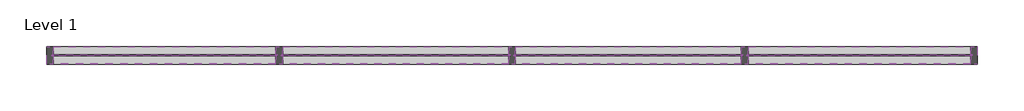
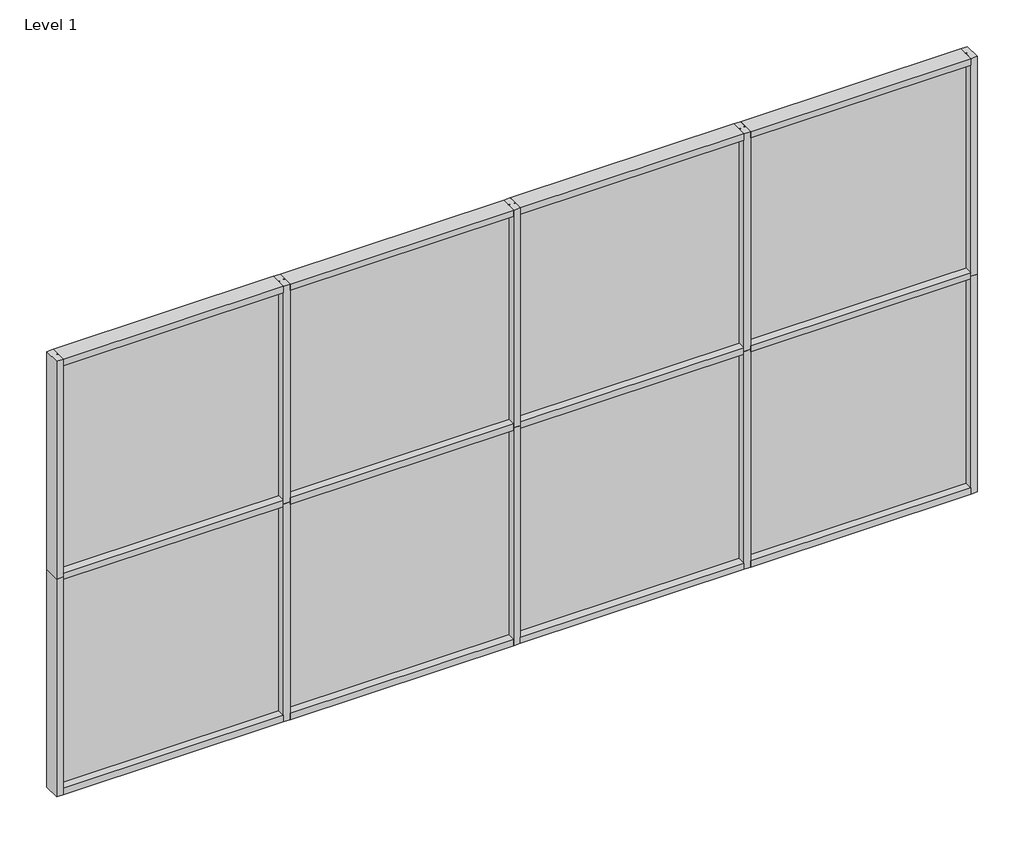
# One storey: 22 members, 8 plates.
"""IFC4 building model written with IfcOpenShell, lengths in millimetres."""

import ifcopenshell
import ifcopenshell.guid

model = None  # the IFC model being written
_history = None  # IfcOwnerHistory: only IFC2X3 demands one
_inside = {}  # id of a spatial element -> (the spatial element, [elements in it])
_under = {}  # id of a project, library or spatial element -> (it, [spatial elements below it])
_declared = {}  # id of a project -> (the project, [libraries it declares])
_typed = {}  # id of a type object -> (the type object, [elements of that type])
_made_of = {}  # id of a material, layer set ... -> (it, [elements and type objects made of it])


def new_model(schema):
    """Start an empty IFC model of exactly this schema.

    Asked for "IFC4X3", IfcOpenShell would pick the latest addendum, in which some entities
    have other attributes; the version numbers below select the first issue.
    IFC2X3 requires an IfcOwnerHistory on every rooted entity: one is made here for all.
    """
    global model, _history
    if schema == "IFC4X3":
        model = ifcopenshell.file(schema_version=(4, 3, 0, 0))
    else:
        model = ifcopenshell.file(schema=schema)
    _inside.clear()
    _under.clear()
    _declared.clear()
    _typed.clear()
    _made_of.clear()
    _history = None
    if model.schema == "IFC2X3":
        org = make("IfcOrganization", Name="unknown")
        user = make(
            "IfcPersonAndOrganization",
            ThePerson=make("IfcPerson", FamilyName="unknown"),
            TheOrganization=org,
        )
        app = make(
            "IfcApplication",
            ApplicationDeveloper=org,
            Version="unknown",
            ApplicationFullName="unknown",
            ApplicationIdentifier="unknown",
        )
        _history = make(
            "IfcOwnerHistory",
            OwningUser=user,
            OwningApplication=app,
            ChangeAction="ADDED",
            CreationDate=0,
        )
    return model


def make(cls, **values):
    """One entity of the class cls with the attributes given. An attribute that is None is left unset."""
    return model.create_entity(
        cls, **{name: value for name, value in values.items() if value is not None}
    )


def rooted(cls, **values):
    """An entity with a GlobalId (a new one), such as an element, a storey or a relation."""
    return make(cls, GlobalId=ifcopenshell.guid.new(), OwnerHistory=_history, **values)


def si_unit(unit_type, name, prefix=None):
    """IfcSIUnit, for example si_unit("LENGTHUNIT", "METRE", prefix="MILLI")."""
    return make("IfcSIUnit", UnitType=unit_type, Prefix=prefix, Name=name)


def assignment(units):
    """IfcUnitAssignment: the units of a project."""
    return None if units is None else make("IfcUnitAssignment", Units=units)


def point(xyz):
    """IfcCartesianPoint."""
    return None if xyz is None else make("IfcCartesianPoint", Coordinates=xyz)


def direction(xyz):
    """IfcDirection."""
    return None if xyz is None else make("IfcDirection", DirectionRatios=xyz)


def frame(location, z_axis=None, x_axis=None):
    """IfcAxis2Placement3D, a coordinate frame: its origin and axes. An axis left out is left unset."""
    return make(
        "IfcAxis2Placement3D",
        Location=point(location),
        Axis=direction(z_axis),
        RefDirection=direction(x_axis),
    )


def origin():
    """The frame at (0, 0, 0) with its axes left unset."""
    return frame((0.0, 0.0, 0.0))


def origin_with_axes():
    """The frame at (0, 0, 0) with the z axis (0, 0, 1) and the x axis (1, 0, 0) written out."""
    return frame((0.0, 0.0, 0.0), z_axis=(0.0, 0.0, 1.0), x_axis=(1.0, 0.0, 0.0))


def place(relative_to, where):
    """IfcLocalPlacement: puts the frame where relative to a parent placement (None: the world)."""
    return make(
        "IfcLocalPlacement", PlacementRelTo=relative_to, RelativePlacement=where
    )


def context(
    kind, dimensions, precision=None, world=None, true_north=None, identifier=None
):
    """IfcGeometricRepresentationContext, for example the 3D "Model" context."""
    return make(
        "IfcGeometricRepresentationContext",
        ContextIdentifier=identifier,
        ContextType=kind,
        CoordinateSpaceDimension=dimensions,
        Precision=precision,
        WorldCoordinateSystem=world,
        TrueNorth=true_north,
    )


def project(units=None, contexts=None):
    """IfcProject with its units and contexts."""
    return rooted(
        "IfcProject",
        Name="project",
        RepresentationContexts=contexts,
        UnitsInContext=assignment(units),
    )


def spatial(cls, under=None, at=None, **own):
    """A site, building, storey or space (cls), placed at a placement, below another one or the project."""
    s = rooted(cls, ObjectPlacement=at, **own)
    if under is not None:
        _under.setdefault(under.id(), (under, []))[1].append(s)
    return s


def polyline(points):
    """IfcPolyline through the points."""
    return make("IfcPolyline", Points=[point(p) for p in points])


def outline(outer, holes=None, kind="AREA"):
    """IfcArbitraryClosedProfileDef: a profile drawn as a closed curve; with holes, ...WithVoids."""
    if holes is None:
        return make("IfcArbitraryClosedProfileDef", ProfileType=kind, OuterCurve=outer)
    return make(
        "IfcArbitraryProfileDefWithVoids",
        ProfileType=kind,
        OuterCurve=outer,
        InnerCurves=holes,
    )


def extrude(swept, where, along, depth):
    """IfcExtrudedAreaSolid: the profile swept, set in the frame where, extruded along a direction by depth."""
    return make(
        "IfcExtrudedAreaSolid",
        SweptArea=swept,
        Position=where,
        ExtrudedDirection=direction(along),
        Depth=depth,
    )


def shape(context_of_items, identifier, shape_type, items):
    """IfcShapeRepresentation: the items that make up one representation, for example the "Body"."""
    return make(
        "IfcShapeRepresentation",
        ContextOfItems=context_of_items,
        RepresentationIdentifier=identifier,
        RepresentationType=shape_type,
        Items=items,
    )


def source(mapping_origin, context_of_items, identifier, shape_type, items):
    """IfcRepresentationMap: a shape defined once, which mapped items show again and again."""
    return make(
        "IfcRepresentationMap",
        MappingOrigin=mapping_origin,
        MappedRepresentation=shape(context_of_items, identifier, shape_type, items),
    )


def transform(
    local_origin,
    x_axis=None,
    y_axis=None,
    z_axis=None,
    scale=None,
    scale2=None,
    scale3=None,
    uniform=True,
):
    """IfcCartesianTransformationOperator3D, or its non-uniform kind. x_axis, y_axis, z_axis: its Axis1, 2, 3."""
    if uniform:
        return make(
            "IfcCartesianTransformationOperator3D",
            Axis1=direction(x_axis),
            Axis2=direction(y_axis),
            LocalOrigin=point(local_origin),
            Scale=scale,
            Axis3=direction(z_axis),
        )
    return make(
        "IfcCartesianTransformationOperator3DnonUniform",
        Axis1=direction(x_axis),
        Axis2=direction(y_axis),
        LocalOrigin=point(local_origin),
        Scale=scale,
        Axis3=direction(z_axis),
        Scale2=scale2,
        Scale3=scale3,
    )


def mapped(mapping_source, mapping_target):
    """IfcMappedItem: shows the shape of a source again, moved by a transform."""
    return make(
        "IfcMappedItem", MappingSource=mapping_source, MappingTarget=mapping_target
    )


def made_of(thing, what):
    """Note that an element or type object is made of a material, layer set ...; save() writes the relation."""
    if what is not None:
        _made_of.setdefault(what.id(), (what, []))[1].append(thing)
    return thing


def element(
    cls,
    number,
    at=None,
    inside=None,
    cuts=None,
    type_object=None,
    material=None,
    context=None,
    identifier="Body",
    shape_type=None,
    held_by="IfcProductDefinitionShape",
    body=None,
    shapes=None,
    **own,
):
    """One element of the class cls, such as IfcWall. Its Tag is "e" and its number.

    at: its placement. inside: the storey or other place that contains it. cuts: it is an
    opening in that element (IfcRelVoidsElement). A single representation is given by context,
    identifier, shape_type and body (its items); several are given by shapes. held_by: the class
    of the entity that holds the representations. save() writes the other relations.
    """
    e = rooted(cls, Tag="e%d" % number, ObjectPlacement=at, **own)
    if body is not None:
        shapes = [shape(context, identifier, shape_type, body)]
    if shapes is not None:
        e.Representation = make(held_by, Representations=shapes)
    if inside is not None:
        _inside.setdefault(inside.id(), (inside, []))[1].append(e)
    if cuts is not None:
        rooted(
            "IfcRelVoidsElement", RelatingBuildingElement=cuts, RelatedOpeningElement=e
        )
    if type_object is not None:
        _typed.setdefault(type_object.id(), (type_object, []))[1].append(e)
    return made_of(e, material)


def aggregate(whole, parts):
    """IfcRelAggregates: a whole, such as a stair, and the parts it consists of."""
    return rooted("IfcRelAggregates", RelatingObject=whole, RelatedObjects=parts)


def save(model, path):
    """Write the relations noted so far, then the file.

    IfcRelAggregates (storeys below a building ...), IfcRelContainedInSpatialStructure (elements
    in a storey), IfcRelDefinesByType, IfcRelAssociatesMaterial and IfcRelDeclares: one each for
    every whole, place, type object, material and project.
    """
    for whole, parts in _under.values():
        aggregate(whole, parts)
    for where, things in _inside.values():
        rooted(
            "IfcRelContainedInSpatialStructure",
            RelatedElements=things,
            RelatingStructure=where,
        )
    for kind, things in _typed.values():
        rooted("IfcRelDefinesByType", RelatedObjects=things, RelatingType=kind)
    for what, things in _made_of.values():
        rooted("IfcRelAssociatesMaterial", RelatedObjects=things, RelatingMaterial=what)
    for by, libraries in _declared.values():
        rooted("IfcRelDeclares", RelatingContext=by, RelatedDefinitions=libraries)
    model.write(path)


def rectangular_mullion_bc3e1053(model_context):
    return source(origin(), model_context, "Body", "SweptSolid", [
        extrude(outline(polyline([(-44.45, -57.1496654), (-44.45, -3.175), (-34.925, -3.175), (-34.925, 3.175), (-44.45, 3.175), (-44.45, 57.1503346), (0.0, 57.1503346), (0.0, -57.1496654), (-44.45, -57.1496654)])), frame((0.0, 0.0, -1524.0), z_axis=(0.0, 0.0, 1.0), x_axis=(1.0, 0.0, 0.0)), (0.0, 0.0, 1.0), 1524.0),
    ])


def rectangular_mullion_ca581047(model_context):
    return source(origin(), model_context, "Body", "SweptSolid", [
        extrude(outline(polyline([(-22.225, 57.1445854), (22.225, 57.1445854), (22.225, 3.175), (12.7, 3.175), (12.7, -3.175), (22.225, -3.175), (22.225, -57.1503346), (-22.225, -57.1503346), (-22.225, -3.175), (-12.7, -3.175), (-12.7, 3.175), (-22.225, 3.175), (-22.225, 57.1445854)])), frame((0.0, 0.0, -1524.0), z_axis=(0.0, 0.0, 1.0), x_axis=(1.0, 0.0, 0.0)), (0.0, 0.0, 1.0), 1524.0),
    ])


def rectangular_mullion_36dcebf6(model_context):
    return source(origin(), model_context, "Body", "SweptSolid", [
        extrude(outline(polyline([(-44.45, -57.15), (-44.45, -2.4907362), (-35.1375243, -2.4907362), (-35.1375243, 3.8592638), (-44.45, 3.8592638), (-44.45, 57.15), (0.0, 57.15), (0.0, -57.15), (-44.45, -57.15)])), frame((0.0, 0.0, -1457.325), z_axis=(0.0, 0.0, 1.0), x_axis=(1.0, 0.0, 0.0)), (0.0, 0.0, 1.0), 1457.325),
    ])


def rectangular_mullion_d1a7d057(model_context):
    return source(origin(), model_context, "Body", "SweptSolid", [
        extrude(outline(polyline([(-44.45, -57.15), (-44.45, -2.4907362), (-35.1375243, -2.4907362), (-35.1375243, 3.8592638), (-44.45, 3.8592638), (-44.45, 57.15), (0.0, 57.15), (0.0, -57.15), (-44.45, -57.15)])), frame((0.0, 0.0, -1479.55), z_axis=(0.0, 0.0, 1.0), x_axis=(1.0, 0.0, 0.0)), (0.0, 0.0, 1.0), 1479.55),
    ])


def rectangular_mullion_bea041a1(model_context):
    return source(origin(), model_context, "Body", "SweptSolid", [
        extrude(outline(polyline([(26.5594027, -56.5790212), (-17.8905973, -56.5790212), (-17.8905973, -3.2050658), (-8.3655973, -3.2050658), (-8.3655973, 3.1449342), (-17.8905973, 3.1449342), (-17.8905973, 56.4979688), (26.5594027, 56.4979688), (26.5594027, 3.1449342), (17.0344012, 3.1449342), (17.0344012, -3.2050658), (26.5594027, -3.2050658), (26.5594027, -56.5790212)])), frame((0.0, 0.0, -1457.325), z_axis=(0.0, 0.0, 1.0), x_axis=(1.0, 0.0, 0.0)), (0.0, 0.0, 1.0), 1457.325),
    ])


def rectangular_mullion_7c711d4b(model_context):
    return source(origin(), model_context, "Body", "SweptSolid", [
        extrude(outline(polyline([(-44.45, -57.1503346), (-44.45, -3.175), (-34.925, -3.175), (-34.925, 3.175), (-44.45, 3.175), (-44.45, 57.1496654), (0.0, 57.1496654), (0.0, -57.1503346), (-44.45, -57.1503346)])), frame((0.0, 0.0, -1457.325), z_axis=(0.0, 0.0, 1.0), x_axis=(1.0, 0.0, 0.0)), (0.0, 0.0, 1.0), 1457.325),
    ])


def rectangular_mullion_cd2adce6(model_context):
    return source(origin(), model_context, "Body", "SweptSolid", [
        extrude(outline(polyline([(-44.45, -57.1503346), (-44.45, -3.175), (-34.925, -3.175), (-34.925, 3.175), (-44.45, 3.175), (-44.45, 57.1496654), (0.0, 57.1496654), (0.0, -57.1503346), (-44.45, -57.1503346)])), frame((0.0, 0.0, -1479.55), z_axis=(0.0, 0.0, 1.0), x_axis=(1.0, 0.0, 0.0)), (0.0, 0.0, 1.0), 1479.55),
    ])


def rectangular_mullion_32ffa44e(model_context):
    return source(origin(), model_context, "Body", "SweptSolid", [
        extrude(outline(polyline([(26.5594027, -56.5790212), (-17.8905973, -56.5790212), (-17.8905973, -3.2050658), (-8.3655973, -3.2050658), (-8.3655973, 3.1449342), (-17.8905973, 3.1449342), (-17.8905973, 56.4979688), (26.5594027, 56.4979688), (26.5594027, 3.1449342), (17.0344012, 3.1449342), (17.0344012, -3.2050658), (26.5594027, -3.2050658), (26.5594027, -56.5790212)])), frame((0.0, 0.0, -1479.55), z_axis=(0.0, 0.0, 1.0), x_axis=(1.0, 0.0, 0.0)), (0.0, 0.0, 1.0), 1479.55),
    ])


def plate_165c06aa(model_context):
    return source(origin(), model_context, "Body", "SweptSolid", [
        extrude(outline(polyline([(738.1875, -3.175), (-738.1875, -3.175), (-738.1875, 3.175), (738.1875, 3.175), (738.1875, -3.175)])), origin_with_axes(), (0.0, 0.0, 1.0), 1471.1844027),
    ])


def plate_a9ed1e5a(model_context):
    return source(origin(), model_context, "Body", "SweptSolid", [
        extrude(outline(polyline([(738.1875, -3.175), (-738.1875, -3.175), (-738.1875, 3.175), (738.1875, 3.175), (738.1875, -3.175)])), origin_with_axes(), (0.0, 0.0, 1.0), 1471.8280745),
    ])


def plate_1f2ca0bd(model_context):
    return source(origin(), model_context, "Body", "SweptSolid", [
        extrude(outline(polyline([(749.3, -3.175), (-749.3, -3.175), (-749.3, 3.175), (749.3, 3.175), (749.3, -3.175)])), origin_with_axes(), (0.0, 0.0, 1.0), 1471.1844027),
    ])


def plate_d15a9891(model_context):
    return source(origin(), model_context, "Body", "SweptSolid", [
        extrude(outline(polyline([(749.3, -3.175), (-749.3, -3.175), (-749.3, 3.175), (749.3, 3.175), (749.3, -3.175)])), origin_with_axes(), (0.0, 0.0, 1.0), 1471.8280745),
    ])


model = new_model("IFC4")

# Units and contexts
model_context = context("Model", 3, world=origin())
ifc_project = project(units=[si_unit("LENGTHUNIT", "METRE", prefix="MILLI")], contexts=[model_context])

# Site, building, storey
site = spatial("IfcSite", under=ifc_project)
building = spatial("IfcBuilding", under=site)
storey = spatial("IfcBuildingStorey", under=building, Name="Level 1", Elevation=0.0)

# Members
placement = place(None, origin())
rectangular_mullion_shape = rectangular_mullion_bc3e1053(model_context)
element("IfcMember", 1, ObjectType="Rectangular Mullion", at=placement, inside=storey, context=model_context, shape_type="MappedRepresentation", body=[
    mapped(rectangular_mullion_shape, transform((8815.9776452, 4207.6548604, 0.0), x_axis=(1.0, 0.0, 0.0), y_axis=(0.0, -1.0, 0.0), z_axis=(0.0, 0.0, -1.0))),
])
element("IfcMember", 2, ObjectType="Rectangular Mullion", at=placement, inside=storey, context=model_context, shape_type="MappedRepresentation", body=[
    mapped(rectangular_mullion_shape, transform((8815.9776452, 4207.6548604, 1524.0), x_axis=(1.0, 0.0, 0.0), y_axis=(0.0, -1.0, 0.0), z_axis=(0.0, 0.0, -1.0))),
])
element("IfcMember", 3, ObjectType="Rectangular Mullion", at=placement, inside=storey, context=model_context, shape_type="MappedRepresentation", body=[
    mapped(rectangular_mullion_shape, transform((2719.9776452, 4207.6548604, 3048.0), x_axis=(-1.0, 0.0, 0.0), y_axis=(0.0, -1.0, 0.0), z_axis=(0.0, 0.0, 1.0))),
])
element("IfcMember", 4, ObjectType="Rectangular Mullion", at=placement, inside=storey, context=model_context, shape_type="MappedRepresentation", body=[
    mapped(rectangular_mullion_shape, transform((2719.9776452, 4207.6548604, 1524.0), x_axis=(-1.0, 0.0, 0.0), y_axis=(0.0, -1.0, 0.0), z_axis=(0.0, 0.0, 1.0))),
])
rectangular_mullion_2_shape = rectangular_mullion_ca581047(model_context)
element("IfcMember", 5, ObjectType="Rectangular Mullion", at=placement, inside=storey, context=model_context, shape_type="MappedRepresentation", body=[
    mapped(rectangular_mullion_2_shape, transform((7291.9776452, 4207.6548604, 0.0), x_axis=(1.0, 0.0, 0.0), y_axis=(0.0, -1.0, 0.0), z_axis=(0.0, 0.0, -1.0))),
])
element("IfcMember", 6, ObjectType="Rectangular Mullion", at=placement, inside=storey, context=model_context, shape_type="MappedRepresentation", body=[
    mapped(rectangular_mullion_2_shape, transform((5767.9776452, 4207.6548604, 0.0), x_axis=(1.0, 0.0, 0.0), y_axis=(0.0, -1.0, 0.0), z_axis=(0.0, 0.0, -1.0))),
])
element("IfcMember", 7, ObjectType="Rectangular Mullion", at=placement, inside=storey, context=model_context, shape_type="MappedRepresentation", body=[
    mapped(rectangular_mullion_2_shape, transform((4243.9776452, 4207.6548604, 0.0), x_axis=(1.0, 0.0, 0.0), y_axis=(0.0, -1.0, 0.0), z_axis=(0.0, 0.0, -1.0))),
])
element("IfcMember", 8, ObjectType="Rectangular Mullion", at=placement, inside=storey, context=model_context, shape_type="MappedRepresentation", body=[
    mapped(rectangular_mullion_2_shape, transform((7291.9776452, 4207.6548604, 1524.0), x_axis=(1.0, 0.0, 0.0), y_axis=(0.0, -1.0, 0.0), z_axis=(0.0, 0.0, -1.0))),
])
element("IfcMember", 9, ObjectType="Rectangular Mullion", at=placement, inside=storey, context=model_context, shape_type="MappedRepresentation", body=[
    mapped(rectangular_mullion_2_shape, transform((5767.9776452, 4207.6548604, 1524.0), x_axis=(1.0, 0.0, 0.0), y_axis=(0.0, -1.0, 0.0), z_axis=(0.0, 0.0, -1.0))),
])
element("IfcMember", 10, ObjectType="Rectangular Mullion", at=placement, inside=storey, context=model_context, shape_type="MappedRepresentation", body=[
    mapped(rectangular_mullion_2_shape, transform((4243.9776452, 4207.6548604, 1524.0), x_axis=(1.0, 0.0, 0.0), y_axis=(0.0, -1.0, 0.0), z_axis=(0.0, 0.0, -1.0))),
])
rectangular_mullion_3_shape = rectangular_mullion_36dcebf6(model_context)
element("IfcMember", 11, ObjectType="Rectangular Mullion", at=placement, inside=storey, context=model_context, shape_type="MappedRepresentation", body=[
    mapped(rectangular_mullion_3_shape, transform((8771.5276452, 4207.6548604, 3048.0), x_axis=(0.0, 0.0, 1.0), y_axis=(0.0, -1.0, 0.0), z_axis=(1.0, 0.0, 0.0))),
])
element("IfcMember", 12, ObjectType="Rectangular Mullion", at=placement, inside=storey, context=model_context, shape_type="MappedRepresentation", body=[
    mapped(rectangular_mullion_3_shape, transform((4221.7526452, 4207.6548604, 3048.0), x_axis=(0.0, 0.0, 1.0), y_axis=(0.0, -1.0, 0.0), z_axis=(1.0, 0.0, 0.0))),
])
rectangular_mullion_4_shape = rectangular_mullion_d1a7d057(model_context)
element("IfcMember", 13, ObjectType="Rectangular Mullion", at=placement, inside=storey, context=model_context, shape_type="MappedRepresentation", body=[
    mapped(rectangular_mullion_4_shape, transform((7269.7526452, 4207.6548604, 3048.0), x_axis=(0.0, 0.0, 1.0), y_axis=(0.0, -1.0, 0.0), z_axis=(1.0, 0.0, 0.0))),
])
element("IfcMember", 14, ObjectType="Rectangular Mullion", at=placement, inside=storey, context=model_context, shape_type="MappedRepresentation", body=[
    mapped(rectangular_mullion_4_shape, transform((5745.7526452, 4207.6548604, 3048.0), x_axis=(0.0, 0.0, 1.0), y_axis=(0.0, -1.0, 0.0), z_axis=(1.0, 0.0, 0.0))),
])
rectangular_mullion_5_shape = rectangular_mullion_bea041a1(model_context)
element("IfcMember", 15, ObjectType="Rectangular Mullion", at=placement, inside=storey, context=model_context, shape_type="MappedRepresentation", body=[
    mapped(rectangular_mullion_5_shape, transform((8771.5276452, 4207.6548604, 1524.0), x_axis=(0.0, 0.0, 1.0), y_axis=(0.0, -1.0, 0.0), z_axis=(1.0, 0.0, 0.0))),
])
element("IfcMember", 16, ObjectType="Rectangular Mullion", at=placement, inside=storey, context=model_context, shape_type="MappedRepresentation", body=[
    mapped(rectangular_mullion_5_shape, transform((4221.7526452, 4207.6548604, 1524.0), x_axis=(0.0, 0.0, 1.0), y_axis=(0.0, -1.0, 0.0), z_axis=(1.0, 0.0, 0.0))),
])
rectangular_mullion_6_shape = rectangular_mullion_7c711d4b(model_context)
element("IfcMember", 17, ObjectType="Rectangular Mullion", at=placement, inside=storey, context=model_context, shape_type="MappedRepresentation", body=[
    mapped(rectangular_mullion_6_shape, transform((2764.4276452, 4207.6548604, 0.0), x_axis=(0.0, 0.0, -1.0), y_axis=(0.0, -1.0, 0.0), z_axis=(-1.0, 0.0, 0.0))),
])
element("IfcMember", 18, ObjectType="Rectangular Mullion", at=placement, inside=storey, context=model_context, shape_type="MappedRepresentation", body=[
    mapped(rectangular_mullion_6_shape, transform((7314.2026452, 4207.6548604, 0.0), x_axis=(0.0, 0.0, -1.0), y_axis=(0.0, -1.0, 0.0), z_axis=(-1.0, 0.0, 0.0))),
])
rectangular_mullion_7_shape = rectangular_mullion_cd2adce6(model_context)
element("IfcMember", 19, ObjectType="Rectangular Mullion", at=placement, inside=storey, context=model_context, shape_type="MappedRepresentation", body=[
    mapped(rectangular_mullion_7_shape, transform((4266.2026452, 4207.6548604, 0.0), x_axis=(0.0, 0.0, -1.0), y_axis=(0.0, -1.0, 0.0), z_axis=(-1.0, 0.0, 0.0))),
])
element("IfcMember", 20, ObjectType="Rectangular Mullion", at=placement, inside=storey, context=model_context, shape_type="MappedRepresentation", body=[
    mapped(rectangular_mullion_7_shape, transform((5790.2026452, 4207.6548604, 0.0), x_axis=(0.0, 0.0, -1.0), y_axis=(0.0, -1.0, 0.0), z_axis=(-1.0, 0.0, 0.0))),
])
rectangular_mullion_8_shape = rectangular_mullion_32ffa44e(model_context)
element("IfcMember", 21, ObjectType="Rectangular Mullion", at=placement, inside=storey, context=model_context, shape_type="MappedRepresentation", body=[
    mapped(rectangular_mullion_8_shape, transform((5745.7526452, 4207.6548604, 1524.0), x_axis=(0.0, 0.0, 1.0), y_axis=(0.0, -1.0, 0.0), z_axis=(1.0, 0.0, 0.0))),
])
element("IfcMember", 22, ObjectType="Rectangular Mullion", at=placement, inside=storey, context=model_context, shape_type="MappedRepresentation", body=[
    mapped(rectangular_mullion_8_shape, transform((7269.7526452, 4207.6548604, 1524.0), x_axis=(0.0, 0.0, 1.0), y_axis=(0.0, -1.0, 0.0), z_axis=(1.0, 0.0, 0.0))),
])

# Plates
plate_shape = plate_165c06aa(model_context)
element("IfcPlate", 23, ObjectType="System Panel : 1/4\" Glass", at=placement, inside=storey, context=model_context, shape_type="MappedRepresentation", body=[
    mapped(plate_shape, transform((3493.0901452, 4207.6548604, 44.45), x_axis=(1.0, 0.0, 0.0), y_axis=(0.0, 1.0, 0.0), z_axis=(0.0, 0.0, 1.0))),
])
element("IfcPlate", 24, ObjectType="System Panel : 1/4\" Glass", at=placement, inside=storey, context=model_context, shape_type="MappedRepresentation", body=[
    mapped(plate_shape, transform((8042.8651452, 4207.6548604, 44.45), x_axis=(1.0, 0.0, 0.0), y_axis=(0.0, 1.0, 0.0), z_axis=(0.0, 0.0, 1.0))),
])
plate_2_shape = plate_a9ed1e5a(model_context)
element("IfcPlate", 25, ObjectType="System Panel : 1/4\" Glass", at=placement, inside=storey, context=model_context, shape_type="MappedRepresentation", body=[
    mapped(plate_2_shape, transform((3493.0901452, 4207.6548604, 1541.0344012), x_axis=(1.0, 0.0, 0.0), y_axis=(0.0, 1.0, 0.0), z_axis=(0.0, 0.0, 1.0))),
])
element("IfcPlate", 26, ObjectType="System Panel : 1/4\" Glass", at=placement, inside=storey, context=model_context, shape_type="MappedRepresentation", body=[
    mapped(plate_2_shape, transform((8042.8651452, 4207.6548604, 1541.0344012), x_axis=(1.0, 0.0, 0.0), y_axis=(0.0, 1.0, 0.0), z_axis=(0.0, 0.0, 1.0))),
])
plate_3_shape = plate_1f2ca0bd(model_context)
element("IfcPlate", 27, ObjectType="System Panel : 1/4\" Glass", at=placement, inside=storey, context=model_context, shape_type="MappedRepresentation", body=[
    mapped(plate_3_shape, transform((6529.9776452, 4207.6548604, 44.45), x_axis=(1.0, 0.0, 0.0), y_axis=(0.0, 1.0, 0.0), z_axis=(0.0, 0.0, 1.0))),
])
element("IfcPlate", 28, ObjectType="System Panel : 1/4\" Glass", at=placement, inside=storey, context=model_context, shape_type="MappedRepresentation", body=[
    mapped(plate_3_shape, transform((5005.9776452, 4207.6548604, 44.45), x_axis=(1.0, 0.0, 0.0), y_axis=(0.0, 1.0, 0.0), z_axis=(0.0, 0.0, 1.0))),
])
plate_4_shape = plate_d15a9891(model_context)
element("IfcPlate", 29, ObjectType="System Panel : 1/4\" Glass", at=placement, inside=storey, context=model_context, shape_type="MappedRepresentation", body=[
    mapped(plate_4_shape, transform((6529.9776452, 4207.6548604, 1541.0344012), x_axis=(1.0, 0.0, 0.0), y_axis=(0.0, 1.0, 0.0), z_axis=(0.0, 0.0, 1.0))),
])
element("IfcPlate", 30, ObjectType="System Panel : 1/4\" Glass", at=placement, inside=storey, context=model_context, shape_type="MappedRepresentation", body=[
    mapped(plate_4_shape, transform((5005.9776452, 4207.6548604, 1541.0344012), x_axis=(1.0, 0.0, 0.0), y_axis=(0.0, 1.0, 0.0), z_axis=(0.0, 0.0, 1.0))),
])

save(model, "model.ifc")
